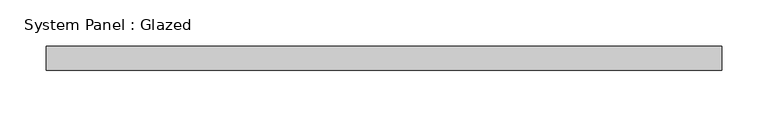
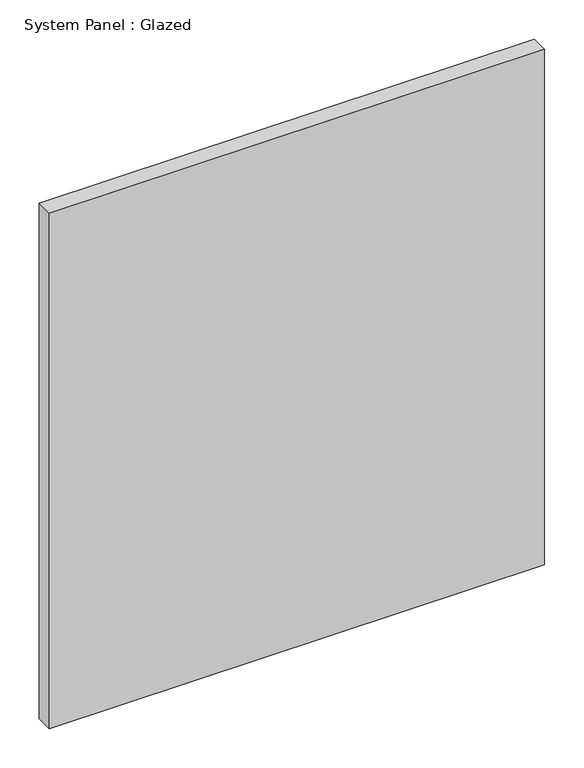
"""IFC4 building model written with IfcOpenShell, lengths in millimetres: plate geometry, System Panel : Glazed."""

import ifcopenshell
import ifcopenshell.guid

model = None  # the IFC model being written
_history = None  # IfcOwnerHistory: only IFC2X3 demands one
_inside = {}  # id of a spatial element -> (the spatial element, [elements in it])
_under = {}  # id of a project, library or spatial element -> (it, [spatial elements below it])
_declared = {}  # id of a project -> (the project, [libraries it declares])
_typed = {}  # id of a type object -> (the type object, [elements of that type])
_made_of = {}  # id of a material, layer set ... -> (it, [elements and type objects made of it])


def new_model(schema):
    """Start an empty IFC model of exactly this schema.

    Asked for "IFC4X3", IfcOpenShell would pick the latest addendum, in which some entities
    have other attributes; the version numbers below select the first issue.
    IFC2X3 requires an IfcOwnerHistory on every rooted entity: one is made here for all.
    """
    global model, _history
    if schema == "IFC4X3":
        model = ifcopenshell.file(schema_version=(4, 3, 0, 0))
    else:
        model = ifcopenshell.file(schema=schema)
    _inside.clear()
    _under.clear()
    _declared.clear()
    _typed.clear()
    _made_of.clear()
    _history = None
    if model.schema == "IFC2X3":
        org = make("IfcOrganization", Name="unknown")
        user = make(
            "IfcPersonAndOrganization",
            ThePerson=make("IfcPerson", FamilyName="unknown"),
            TheOrganization=org,
        )
        app = make(
            "IfcApplication",
            ApplicationDeveloper=org,
            Version="unknown",
            ApplicationFullName="unknown",
            ApplicationIdentifier="unknown",
        )
        _history = make(
            "IfcOwnerHistory",
            OwningUser=user,
            OwningApplication=app,
            ChangeAction="ADDED",
            CreationDate=0,
        )
    return model


def make(cls, **values):
    """One entity of the class cls with the attributes given. An attribute that is None is left unset."""
    return model.create_entity(
        cls, **{name: value for name, value in values.items() if value is not None}
    )


def rooted(cls, **values):
    """An entity with a GlobalId (a new one), such as an element, a storey or a relation."""
    return make(cls, GlobalId=ifcopenshell.guid.new(), OwnerHistory=_history, **values)


def si_unit(unit_type, name, prefix=None):
    """IfcSIUnit, for example si_unit("LENGTHUNIT", "METRE", prefix="MILLI")."""
    return make("IfcSIUnit", UnitType=unit_type, Prefix=prefix, Name=name)


def assignment(units):
    """IfcUnitAssignment: the units of a project."""
    return None if units is None else make("IfcUnitAssignment", Units=units)


def point(xyz):
    """IfcCartesianPoint."""
    return None if xyz is None else make("IfcCartesianPoint", Coordinates=xyz)


def direction(xyz):
    """IfcDirection."""
    return None if xyz is None else make("IfcDirection", DirectionRatios=xyz)


def frame(location, z_axis=None, x_axis=None):
    """IfcAxis2Placement3D, a coordinate frame: its origin and axes. An axis left out is left unset."""
    return make(
        "IfcAxis2Placement3D",
        Location=point(location),
        Axis=direction(z_axis),
        RefDirection=direction(x_axis),
    )


def origin():
    """The frame at (0, 0, 0) with its axes left unset."""
    return frame((0.0, 0.0, 0.0))


def origin_with_axes():
    """The frame at (0, 0, 0) with the z axis (0, 0, 1) and the x axis (1, 0, 0) written out."""
    return frame((0.0, 0.0, 0.0), z_axis=(0.0, 0.0, 1.0), x_axis=(1.0, 0.0, 0.0))


def place(relative_to, where):
    """IfcLocalPlacement: puts the frame where relative to a parent placement (None: the world)."""
    return make(
        "IfcLocalPlacement", PlacementRelTo=relative_to, RelativePlacement=where
    )


def context(
    kind, dimensions, precision=None, world=None, true_north=None, identifier=None
):
    """IfcGeometricRepresentationContext, for example the 3D "Model" context."""
    return make(
        "IfcGeometricRepresentationContext",
        ContextIdentifier=identifier,
        ContextType=kind,
        CoordinateSpaceDimension=dimensions,
        Precision=precision,
        WorldCoordinateSystem=world,
        TrueNorth=true_north,
    )


def project(units=None, contexts=None):
    """IfcProject with its units and contexts."""
    return rooted(
        "IfcProject",
        Name="project",
        RepresentationContexts=contexts,
        UnitsInContext=assignment(units),
    )


def spatial(cls, under=None, at=None, **own):
    """A site, building, storey or space (cls), placed at a placement, below another one or the project."""
    s = rooted(cls, ObjectPlacement=at, **own)
    if under is not None:
        _under.setdefault(under.id(), (under, []))[1].append(s)
    return s


def polyline(points):
    """IfcPolyline through the points."""
    return make("IfcPolyline", Points=[point(p) for p in points])


def outline(outer, holes=None, kind="AREA"):
    """IfcArbitraryClosedProfileDef: a profile drawn as a closed curve; with holes, ...WithVoids."""
    if holes is None:
        return make("IfcArbitraryClosedProfileDef", ProfileType=kind, OuterCurve=outer)
    return make(
        "IfcArbitraryProfileDefWithVoids",
        ProfileType=kind,
        OuterCurve=outer,
        InnerCurves=holes,
    )


def extrude(swept, where, along, depth):
    """IfcExtrudedAreaSolid: the profile swept, set in the frame where, extruded along a direction by depth."""
    return make(
        "IfcExtrudedAreaSolid",
        SweptArea=swept,
        Position=where,
        ExtrudedDirection=direction(along),
        Depth=depth,
    )


def shape(context_of_items, identifier, shape_type, items):
    """IfcShapeRepresentation: the items that make up one representation, for example the "Body"."""
    return make(
        "IfcShapeRepresentation",
        ContextOfItems=context_of_items,
        RepresentationIdentifier=identifier,
        RepresentationType=shape_type,
        Items=items,
    )


def source(mapping_origin, context_of_items, identifier, shape_type, items):
    """IfcRepresentationMap: a shape defined once, which mapped items show again and again."""
    return make(
        "IfcRepresentationMap",
        MappingOrigin=mapping_origin,
        MappedRepresentation=shape(context_of_items, identifier, shape_type, items),
    )


def transform(
    local_origin,
    x_axis=None,
    y_axis=None,
    z_axis=None,
    scale=None,
    scale2=None,
    scale3=None,
    uniform=True,
):
    """IfcCartesianTransformationOperator3D, or its non-uniform kind. x_axis, y_axis, z_axis: its Axis1, 2, 3."""
    if uniform:
        return make(
            "IfcCartesianTransformationOperator3D",
            Axis1=direction(x_axis),
            Axis2=direction(y_axis),
            LocalOrigin=point(local_origin),
            Scale=scale,
            Axis3=direction(z_axis),
        )
    return make(
        "IfcCartesianTransformationOperator3DnonUniform",
        Axis1=direction(x_axis),
        Axis2=direction(y_axis),
        LocalOrigin=point(local_origin),
        Scale=scale,
        Axis3=direction(z_axis),
        Scale2=scale2,
        Scale3=scale3,
    )


def mapped(mapping_source, mapping_target):
    """IfcMappedItem: shows the shape of a source again, moved by a transform."""
    return make(
        "IfcMappedItem", MappingSource=mapping_source, MappingTarget=mapping_target
    )


def made_of(thing, what):
    """Note that an element or type object is made of a material, layer set ...; save() writes the relation."""
    if what is not None:
        _made_of.setdefault(what.id(), (what, []))[1].append(thing)
    return thing


def element(
    cls,
    number,
    at=None,
    inside=None,
    cuts=None,
    type_object=None,
    material=None,
    context=None,
    identifier="Body",
    shape_type=None,
    held_by="IfcProductDefinitionShape",
    body=None,
    shapes=None,
    **own,
):
    """One element of the class cls, such as IfcWall. Its Tag is "e" and its number.

    at: its placement. inside: the storey or other place that contains it. cuts: it is an
    opening in that element (IfcRelVoidsElement). A single representation is given by context,
    identifier, shape_type and body (its items); several are given by shapes. held_by: the class
    of the entity that holds the representations. save() writes the other relations.
    """
    e = rooted(cls, Tag="e%d" % number, ObjectPlacement=at, **own)
    if body is not None:
        shapes = [shape(context, identifier, shape_type, body)]
    if shapes is not None:
        e.Representation = make(held_by, Representations=shapes)
    if inside is not None:
        _inside.setdefault(inside.id(), (inside, []))[1].append(e)
    if cuts is not None:
        rooted(
            "IfcRelVoidsElement", RelatingBuildingElement=cuts, RelatedOpeningElement=e
        )
    if type_object is not None:
        _typed.setdefault(type_object.id(), (type_object, []))[1].append(e)
    return made_of(e, material)


def aggregate(whole, parts):
    """IfcRelAggregates: a whole, such as a stair, and the parts it consists of."""
    return rooted("IfcRelAggregates", RelatingObject=whole, RelatedObjects=parts)


def save(model, path):
    """Write the relations noted so far, then the file.

    IfcRelAggregates (storeys below a building ...), IfcRelContainedInSpatialStructure (elements
    in a storey), IfcRelDefinesByType, IfcRelAssociatesMaterial and IfcRelDeclares: one each for
    every whole, place, type object, material and project.
    """
    for whole, parts in _under.values():
        aggregate(whole, parts)
    for where, things in _inside.values():
        rooted(
            "IfcRelContainedInSpatialStructure",
            RelatedElements=things,
            RelatingStructure=where,
        )
    for kind, things in _typed.values():
        rooted("IfcRelDefinesByType", RelatedObjects=things, RelatingType=kind)
    for what, things in _made_of.values():
        rooted("IfcRelAssociatesMaterial", RelatedObjects=things, RelatingMaterial=what)
    for by, libraries in _declared.values():
        rooted("IfcRelDeclares", RelatingContext=by, RelatedDefinitions=libraries)
    model.write(path)


def system_panel_glazed_17d36170(model_context):
    return source(origin(), model_context, "Body", "SweptSolid", [
        extrude(outline(polyline([(363.0083333, 19.05), (-363.0083333, 19.05), (-363.0083333, 44.45), (363.0083333, 44.45), (363.0083333, 19.05)])), origin_with_axes(), (0.0, 0.0, 1.0), 798.2857143),
    ])


if __name__ == "__main__":
    model = new_model("IFC4")
    model_context = context("Model", 3, world=origin())
    ifc_project = project(units=[si_unit("LENGTHUNIT", "METRE", prefix="MILLI")], contexts=[model_context])
    site = spatial("IfcSite", under=ifc_project)
    building = spatial("IfcBuilding", under=site)
    placement = place(None, origin())
    system_panel_glazed_shape = system_panel_glazed_17d36170(model_context)
    element("IfcPlate", 1, ObjectType="System Panel : Glazed", at=placement, inside=building, context=model_context, shape_type="MappedRepresentation", body=[
        mapped(system_panel_glazed_shape, transform((0.0, 0.0, 0.0), x_axis=(1.0, 0.0, 0.0), y_axis=(0.0, 1.0, 0.0), z_axis=(0.0, 0.0, 1.0))),
    ])
    save(model, "model.ifc")
